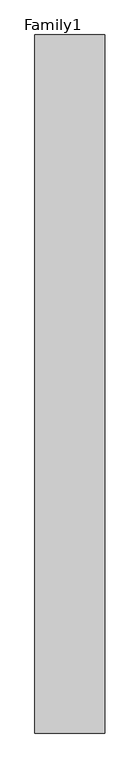
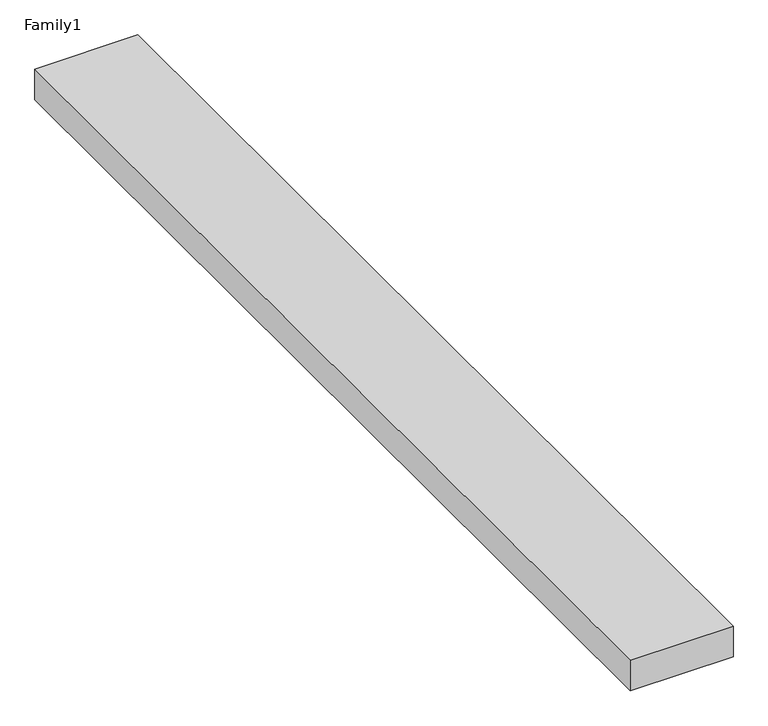
"""IFC4 building model written with IfcOpenShell, lengths in millimetres: proxy geometry, Family1."""

from ifc_helpers import new_model, si_unit, origin, origin_with_axes, place, context, project, spatial, polyline, outline, extrude, source, transform, mapped, element, save


def family1_60fffda2(model_context):
    return source(origin(), model_context, "Body", "SweptSolid", [
        extrude(outline(polyline([(5000.0, 0.0), (0.0, 0.0), (0.0, 50000.0), (5000.0, 50000.0), (5000.0, 0.0)])), origin_with_axes(), (0.0, 0.0, 1.0), 1568.0),
    ])


if __name__ == "__main__":
    model = new_model("IFC4")
    model_context = context("Model", 3, world=origin())
    ifc_project = project(units=[si_unit("LENGTHUNIT", "METRE", prefix="MILLI")], contexts=[model_context])
    site = spatial("IfcSite", under=ifc_project)
    building = spatial("IfcBuilding", under=site)
    placement = place(None, origin())
    family1_shape = family1_60fffda2(model_context)
    element("IfcBuildingElementProxy", 1, Name="Family1", ObjectType="Family1", at=placement, inside=building, context=model_context, shape_type="MappedRepresentation", body=[
        mapped(family1_shape, transform((0.0, 0.0, 0.0), x_axis=(1.0, 0.0, 0.0), y_axis=(0.0, 1.0, 0.0), z_axis=(0.0, 0.0, 1.0))),
    ])
    save(model, "model.ifc")
